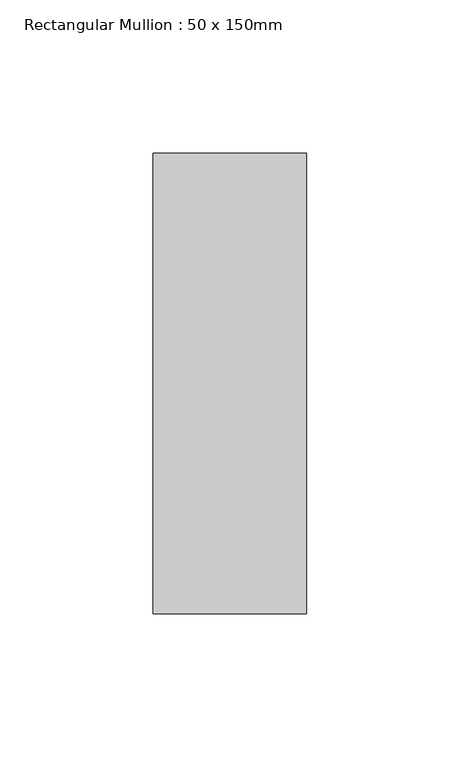
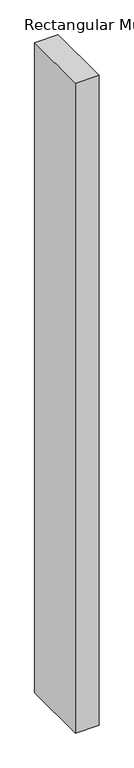
"""IFC4 building model written with IfcOpenShell, lengths in millimetres: member geometry, Rectangular Mullion : 50 x 150mm."""

import ifcopenshell
import ifcopenshell.guid

model = None  # the IFC model being written
_history = None  # IfcOwnerHistory: only IFC2X3 demands one
_inside = {}  # id of a spatial element -> (the spatial element, [elements in it])
_under = {}  # id of a project, library or spatial element -> (it, [spatial elements below it])
_declared = {}  # id of a project -> (the project, [libraries it declares])
_typed = {}  # id of a type object -> (the type object, [elements of that type])
_made_of = {}  # id of a material, layer set ... -> (it, [elements and type objects made of it])


def new_model(schema):
    """Start an empty IFC model of exactly this schema.

    Asked for "IFC4X3", IfcOpenShell would pick the latest addendum, in which some entities
    have other attributes; the version numbers below select the first issue.
    IFC2X3 requires an IfcOwnerHistory on every rooted entity: one is made here for all.
    """
    global model, _history
    if schema == "IFC4X3":
        model = ifcopenshell.file(schema_version=(4, 3, 0, 0))
    else:
        model = ifcopenshell.file(schema=schema)
    _inside.clear()
    _under.clear()
    _declared.clear()
    _typed.clear()
    _made_of.clear()
    _history = None
    if model.schema == "IFC2X3":
        org = make("IfcOrganization", Name="unknown")
        user = make(
            "IfcPersonAndOrganization",
            ThePerson=make("IfcPerson", FamilyName="unknown"),
            TheOrganization=org,
        )
        app = make(
            "IfcApplication",
            ApplicationDeveloper=org,
            Version="unknown",
            ApplicationFullName="unknown",
            ApplicationIdentifier="unknown",
        )
        _history = make(
            "IfcOwnerHistory",
            OwningUser=user,
            OwningApplication=app,
            ChangeAction="ADDED",
            CreationDate=0,
        )
    return model


def make(cls, **values):
    """One entity of the class cls with the attributes given. An attribute that is None is left unset."""
    return model.create_entity(
        cls, **{name: value for name, value in values.items() if value is not None}
    )


def rooted(cls, **values):
    """An entity with a GlobalId (a new one), such as an element, a storey or a relation."""
    return make(cls, GlobalId=ifcopenshell.guid.new(), OwnerHistory=_history, **values)


def si_unit(unit_type, name, prefix=None):
    """IfcSIUnit, for example si_unit("LENGTHUNIT", "METRE", prefix="MILLI")."""
    return make("IfcSIUnit", UnitType=unit_type, Prefix=prefix, Name=name)


def assignment(units):
    """IfcUnitAssignment: the units of a project."""
    return None if units is None else make("IfcUnitAssignment", Units=units)


def point(xyz):
    """IfcCartesianPoint."""
    return None if xyz is None else make("IfcCartesianPoint", Coordinates=xyz)


def direction(xyz):
    """IfcDirection."""
    return None if xyz is None else make("IfcDirection", DirectionRatios=xyz)


def frame(location, z_axis=None, x_axis=None):
    """IfcAxis2Placement3D, a coordinate frame: its origin and axes. An axis left out is left unset."""
    return make(
        "IfcAxis2Placement3D",
        Location=point(location),
        Axis=direction(z_axis),
        RefDirection=direction(x_axis),
    )


def origin():
    """The frame at (0, 0, 0) with its axes left unset."""
    return frame((0.0, 0.0, 0.0))


def place(relative_to, where):
    """IfcLocalPlacement: puts the frame where relative to a parent placement (None: the world)."""
    return make(
        "IfcLocalPlacement", PlacementRelTo=relative_to, RelativePlacement=where
    )


def context(
    kind, dimensions, precision=None, world=None, true_north=None, identifier=None
):
    """IfcGeometricRepresentationContext, for example the 3D "Model" context."""
    return make(
        "IfcGeometricRepresentationContext",
        ContextIdentifier=identifier,
        ContextType=kind,
        CoordinateSpaceDimension=dimensions,
        Precision=precision,
        WorldCoordinateSystem=world,
        TrueNorth=true_north,
    )


def project(units=None, contexts=None):
    """IfcProject with its units and contexts."""
    return rooted(
        "IfcProject",
        Name="project",
        RepresentationContexts=contexts,
        UnitsInContext=assignment(units),
    )


def spatial(cls, under=None, at=None, **own):
    """A site, building, storey or space (cls), placed at a placement, below another one or the project."""
    s = rooted(cls, ObjectPlacement=at, **own)
    if under is not None:
        _under.setdefault(under.id(), (under, []))[1].append(s)
    return s


def polyline(points):
    """IfcPolyline through the points."""
    return make("IfcPolyline", Points=[point(p) for p in points])


def outline(outer, holes=None, kind="AREA"):
    """IfcArbitraryClosedProfileDef: a profile drawn as a closed curve; with holes, ...WithVoids."""
    if holes is None:
        return make("IfcArbitraryClosedProfileDef", ProfileType=kind, OuterCurve=outer)
    return make(
        "IfcArbitraryProfileDefWithVoids",
        ProfileType=kind,
        OuterCurve=outer,
        InnerCurves=holes,
    )


def extrude(swept, where, along, depth):
    """IfcExtrudedAreaSolid: the profile swept, set in the frame where, extruded along a direction by depth."""
    return make(
        "IfcExtrudedAreaSolid",
        SweptArea=swept,
        Position=where,
        ExtrudedDirection=direction(along),
        Depth=depth,
    )


def shape(context_of_items, identifier, shape_type, items):
    """IfcShapeRepresentation: the items that make up one representation, for example the "Body"."""
    return make(
        "IfcShapeRepresentation",
        ContextOfItems=context_of_items,
        RepresentationIdentifier=identifier,
        RepresentationType=shape_type,
        Items=items,
    )


def source(mapping_origin, context_of_items, identifier, shape_type, items):
    """IfcRepresentationMap: a shape defined once, which mapped items show again and again."""
    return make(
        "IfcRepresentationMap",
        MappingOrigin=mapping_origin,
        MappedRepresentation=shape(context_of_items, identifier, shape_type, items),
    )


def transform(
    local_origin,
    x_axis=None,
    y_axis=None,
    z_axis=None,
    scale=None,
    scale2=None,
    scale3=None,
    uniform=True,
):
    """IfcCartesianTransformationOperator3D, or its non-uniform kind. x_axis, y_axis, z_axis: its Axis1, 2, 3."""
    if uniform:
        return make(
            "IfcCartesianTransformationOperator3D",
            Axis1=direction(x_axis),
            Axis2=direction(y_axis),
            LocalOrigin=point(local_origin),
            Scale=scale,
            Axis3=direction(z_axis),
        )
    return make(
        "IfcCartesianTransformationOperator3DnonUniform",
        Axis1=direction(x_axis),
        Axis2=direction(y_axis),
        LocalOrigin=point(local_origin),
        Scale=scale,
        Axis3=direction(z_axis),
        Scale2=scale2,
        Scale3=scale3,
    )


def mapped(mapping_source, mapping_target):
    """IfcMappedItem: shows the shape of a source again, moved by a transform."""
    return make(
        "IfcMappedItem", MappingSource=mapping_source, MappingTarget=mapping_target
    )


def made_of(thing, what):
    """Note that an element or type object is made of a material, layer set ...; save() writes the relation."""
    if what is not None:
        _made_of.setdefault(what.id(), (what, []))[1].append(thing)
    return thing


def element(
    cls,
    number,
    at=None,
    inside=None,
    cuts=None,
    type_object=None,
    material=None,
    context=None,
    identifier="Body",
    shape_type=None,
    held_by="IfcProductDefinitionShape",
    body=None,
    shapes=None,
    **own,
):
    """One element of the class cls, such as IfcWall. Its Tag is "e" and its number.

    at: its placement. inside: the storey or other place that contains it. cuts: it is an
    opening in that element (IfcRelVoidsElement). A single representation is given by context,
    identifier, shape_type and body (its items); several are given by shapes. held_by: the class
    of the entity that holds the representations. save() writes the other relations.
    """
    e = rooted(cls, Tag="e%d" % number, ObjectPlacement=at, **own)
    if body is not None:
        shapes = [shape(context, identifier, shape_type, body)]
    if shapes is not None:
        e.Representation = make(held_by, Representations=shapes)
    if inside is not None:
        _inside.setdefault(inside.id(), (inside, []))[1].append(e)
    if cuts is not None:
        rooted(
            "IfcRelVoidsElement", RelatingBuildingElement=cuts, RelatedOpeningElement=e
        )
    if type_object is not None:
        _typed.setdefault(type_object.id(), (type_object, []))[1].append(e)
    return made_of(e, material)


def aggregate(whole, parts):
    """IfcRelAggregates: a whole, such as a stair, and the parts it consists of."""
    return rooted("IfcRelAggregates", RelatingObject=whole, RelatedObjects=parts)


def save(model, path):
    """Write the relations noted so far, then the file.

    IfcRelAggregates (storeys below a building ...), IfcRelContainedInSpatialStructure (elements
    in a storey), IfcRelDefinesByType, IfcRelAssociatesMaterial and IfcRelDeclares: one each for
    every whole, place, type object, material and project.
    """
    for whole, parts in _under.values():
        aggregate(whole, parts)
    for where, things in _inside.values():
        rooted(
            "IfcRelContainedInSpatialStructure",
            RelatedElements=things,
            RelatingStructure=where,
        )
    for kind, things in _typed.values():
        rooted("IfcRelDefinesByType", RelatedObjects=things, RelatingType=kind)
    for what, things in _made_of.values():
        rooted("IfcRelAssociatesMaterial", RelatedObjects=things, RelatingMaterial=what)
    for by, libraries in _declared.values():
        rooted("IfcRelDeclares", RelatingContext=by, RelatedDefinitions=libraries)
    model.write(path)


def rectangular_mullion_50_x_150mm_c1f0a7ff(model_context):
    return source(origin(), model_context, "Body", "SweptSolid", [
        extrude(outline(polyline([(25.0, 75.0), (25.0, -75.0), (-25.0, -75.0), (-25.0, 75.0), (25.0, 75.0)])), frame((0.0, 0.0, -1460.3121686), z_axis=(0.0, 0.0, 1.0), x_axis=(1.0, 0.0, 0.0)), (0.0, 0.0, 1.0), 1460.3121686),
    ])


if __name__ == "__main__":
    model = new_model("IFC4")
    model_context = context("Model", 3, world=origin())
    ifc_project = project(units=[si_unit("LENGTHUNIT", "METRE", prefix="MILLI")], contexts=[model_context])
    site = spatial("IfcSite", under=ifc_project)
    building = spatial("IfcBuilding", under=site)
    placement = place(None, origin())
    rectangular_mullion_50_x_150mm_shape = rectangular_mullion_50_x_150mm_c1f0a7ff(model_context)
    element("IfcMember", 1, ObjectType="Rectangular Mullion : 50 x 150mm", at=placement, inside=building, context=model_context, shape_type="MappedRepresentation", body=[
        mapped(rectangular_mullion_50_x_150mm_shape, transform((0.0, 0.0, 0.0), x_axis=(1.0, 0.0, 0.0), y_axis=(0.0, 1.0, 0.0), z_axis=(0.0, 0.0, 1.0))),
    ])
    save(model, "model.ifc")
